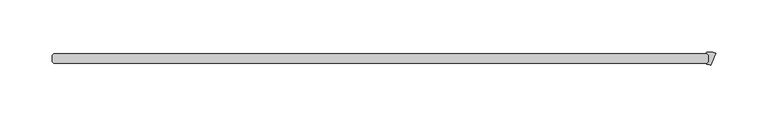
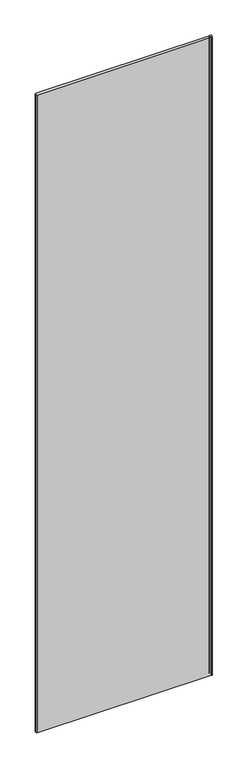
"""IFC4 building model written with IfcOpenShell, lengths in millimetres: plate geometry."""

from ifc_helpers import new_model, si_unit, point, frame_2d, origin, origin_with_axes, place, context, project, spatial, polyline, circle_curve, trimmed, segment, composite_curve, outline, extrude, source, transform, mapped, element, save


def plate_24bbb0fc(model_context):
    return source(origin(), model_context, "Body", "SweptSolid", [
        extrude(outline(composite_curve([segment(polyline([(319.1662555, 4.9808375), (314.4372222, -6.4360587)]), True, "CONTINUOUS"), segment(trimmed(circle_curve(frame_2d((310.7393901, -13.775915)), 8.2187257), [point((314.4372222, -6.4360587))], [point((310.9067113, -5.5588927))], True, "CARTESIAN"), True, "CONTINUOUS"), segment(trimmed(circle_curve(frame_2d((310.9147911, -5.1621)), 0.396875), [point((310.9067113, -5.5588927))], [point((310.6341581, -4.8814669))], False, "CARTESIAN"), True, "CONTINUOUS"), segment(polyline([(310.6341581, -4.8814669), (312.340625, -3.175), (312.340625, 3.175), (310.2614173, 5.2542077)]), True, "CONTINUOUS"), segment(trimmed(circle_curve(frame_2d((310.5420503, 5.5348407)), 0.396875), [point((310.2614173, 5.2542077))], [point((310.4862831, 5.9277781))], False, "CARTESIAN"), True, "CONTINUOUS"), segment(trimmed(circle_curve(frame_2d((312.9692784, -11.5674885)), 17.6705863), [point((310.4862831, 5.9277781))], [point((319.1662555, 4.9808375))], False, "CARTESIAN"), True, "CONTINUOUS")], self_intersect=False)), origin_with_axes(), (0.0, 0.0, 1.0), 2427.1914267),
        extrude(outline(polyline([(310.753125, 4.7625), (312.340625, 3.175), (312.340625, -3.175), (310.753125, -4.7625), (-315.515625, -4.7625), (-317.103125, -3.175), (-317.103125, 3.175), (-315.515625, 4.7625), (310.753125, 4.7625)])), origin_with_axes(), (0.0, 0.0, 1.0), 2427.1914267),
    ])


if __name__ == "__main__":
    model = new_model("IFC4")
    model_context = context("Model", 3, world=origin())
    ifc_project = project(units=[si_unit("LENGTHUNIT", "METRE", prefix="MILLI")], contexts=[model_context])
    site = spatial("IfcSite", under=ifc_project)
    building = spatial("IfcBuilding", under=site)
    placement = place(None, origin())
    plate_shape = plate_24bbb0fc(model_context)
    element("IfcPlate", 1, at=placement, inside=building, context=model_context, shape_type="MappedRepresentation", body=[
        mapped(plate_shape, transform((0.0, 0.0, 0.0), x_axis=(1.0, 0.0, 0.0), y_axis=(0.0, 1.0, 0.0), z_axis=(0.0, 0.0, 1.0))),
    ])
    save(model, "model.ifc")
